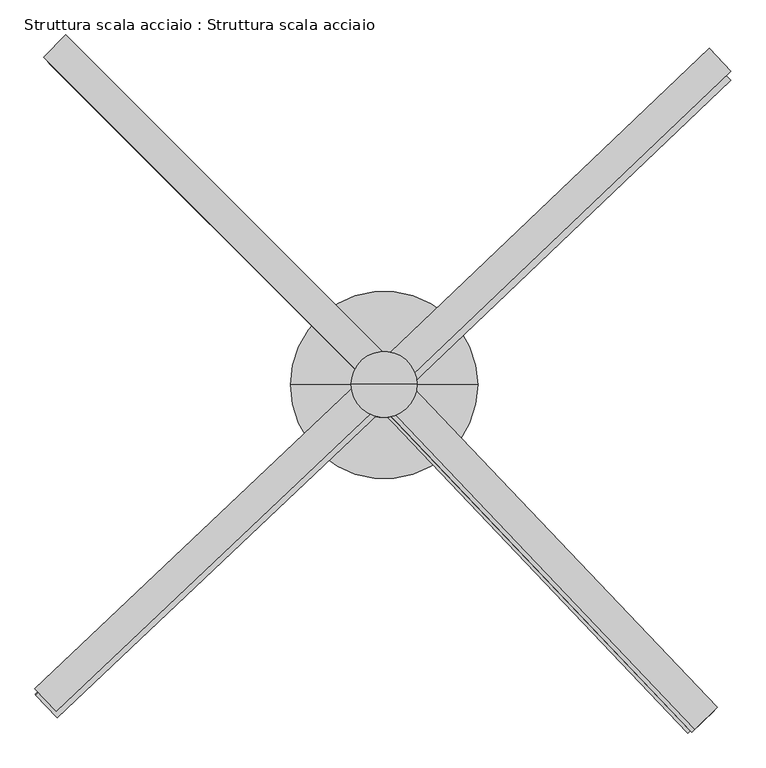
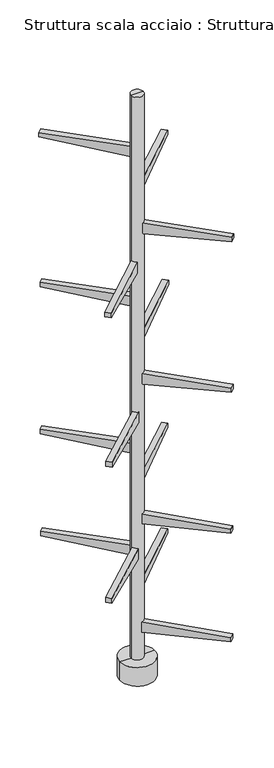
"""IFC4 building model written with IfcOpenShell, lengths in millimetres: stair geometry, Struttura scala acciaio : Struttura scala acciaio."""

from ifc_helpers import new_model, si_unit, frame, origin, place, context, project, spatial, polyline, circle_curve, outline, extrude, source, transform, mapped, element, save
from ifc_brep_helpers import plane_surface, cylinder_surface, advanced_brep


def struttura_scala_acciaio_struttura_scala_acciaio_305bfbfe(model_context):
    return source(origin(), model_context, "Body", "SolidModel", [
        extrude(outline(polyline([(-27.7761032, 0.0), (87.3472082, 0.0), (96.5112589, -2160.04659), (-182.5068343, -2160.04659), (-27.7761032, 0.0)])), frame((-17461.8574624, 121725.960133, -2916.9944252), z_axis=(-0.6897900423975041, 0.724009459474978, 0.0), x_axis=(0.0, 0.0, 1.0)), (0.0, 0.0, 1.0), 148.2055711),
        extrude(outline(polyline([(-27.7761031, 0.0), (87.3472082, 0.0), (96.511259, -2160.04659), (-182.5068342, -2160.04659), (-27.7761031, 0.0)])), frame((-17454.6640644, 121732.9067167, -72.0653855), z_axis=(-0.6897900423975041, 0.724009459474978, 0.0), x_axis=(0.0, 0.0, 1.0)), (0.0, 0.0, 1.0), 148.2055711),
        extrude(outline(polyline([(-27.7761032, 0.0), (87.3472082, 0.0), (96.511259, -2160.04659), (-182.5068343, -2160.04659), (-27.7761032, 0.0)])), frame((-17440.0304541, 121760.9398658, 7818.4439458), z_axis=(-0.6897900423975041, 0.724009459474978, 0.0), x_axis=(0.0, 0.0, 1.0)), (0.0, 0.0, 1.0), 148.2055711),
        extrude(outline(polyline([(-27.7761031, 0.0), (87.3472082, 0.0), (96.511259, -2160.0465899), (-182.5068343, -2160.0465899), (-27.7761031, 0.0)])), frame((-17440.770897, 121718.5199207, 3790.954931), z_axis=(-0.6897900423975041, 0.724009459474978, 0.0), x_axis=(0.0, 0.0, 1.0)), (0.0, 0.0, 1.0), 148.2055711),
        extrude(outline(polyline([(33.7826515, 0.0), (195.0629096, -2177.5058639), (-96.7115345, -2177.5058639), (-84.0747862, 0.0), (33.7826515, 0.0)])), frame((-20637.9012639, 118727.6257299, 5828.231062), z_axis=(-0.6876077318702961, 0.7260823693439933, 0.0), x_axis=(0.0, 0.0, -1.0)), (0.0, 0.0, 1.0), 148.2055711),
        extrude(outline(polyline([(-3.201726, 0.0), (192.5068343, -2160.0465899), (-96.511259, -2160.0465899), (-134.2150124, 0.0), (-3.201726, 0.0)])), frame((-20632.9154299, 118697.917651, 1771.0238524), z_axis=(-0.6876077318702961, 0.7260823693439933, 0.0), x_axis=(0.0, 0.0, -1.0)), (0.0, 0.0, 1.0), 148.2055711),
        extrude(outline(polyline([(-27.7761032, 0.0), (87.3472082, 0.0), (96.5112589, -2160.04659), (-182.5068343, -2160.04659), (-27.7761032, 0.0)])), frame((-17643.4815554, 118626.6841042, -3915.4922254), z_axis=(0.7242351162522543, 0.6895531135359216, 0.0), x_axis=(0.0, 0.0, 1.0)), (0.0, 0.0, 1.0), 148.2055711),
        extrude(outline(polyline([(27.7761031, 0.0), (182.5068342, -2160.04659), (-96.511259, -2160.04659), (-87.3472083, 0.0), (27.7761031, 0.0)])), frame((-20671.1395241, 121798.1827954, -1912.2928756), z_axis=(0.7071067811865506, 0.7071067811865445, 0.0), x_axis=(0.0, 0.0, -1.0)), (0.0, 0.0, 1.0), 148.2055711),
        extrude(outline(polyline([(27.7761031, 0.0), (182.5068343, -2160.04659), (-96.511259, -2160.04659), (-87.3472082, 0.0), (27.7761031, 0.0)])), frame((-20698.925859, 121826.9563874, 8850.7208542), z_axis=(0.7071067811865506, 0.7071067811865445, 0.0), x_axis=(0.0, 0.0, -1.0)), (0.0, 0.0, 1.0), 148.2055711),
        extrude(outline(polyline([(27.7761031, 0.0), (182.5068342, -2160.04659), (-96.511259, -2160.04659), (-87.3472083, 0.0), (27.7761031, 0.0)])), frame((-20678.0861079, 121805.3761934, 4810.2036301), z_axis=(0.7071067811865506, 0.7071067811865445, 0.0), x_axis=(0.0, 0.0, -1.0)), (0.0, 0.0, 1.0), 148.2055711),
        extrude(outline(polyline([(27.7761032, 0.0), (182.5068343, -2160.04659), (-96.511259, -2160.04659), (-87.3472082, 0.0), (27.7761032, 0.0)])), frame((-20678.0861079, 121805.3761934, 841.7829418), z_axis=(0.7071067811865506, 0.7071067811865445, 0.0), x_axis=(0.0, 0.0, -1.0)), (0.0, 0.0, 1.0), 148.2055711),
        extrude(outline(polyline([(-3.201726, 0.0), (192.5068342, -2160.0465899), (-96.511259, -2160.0465899), (-134.2150125, 0.0), (-3.201726, 0.0)])), frame((-20636.3887217, 118701.51435, -1905.2411615), z_axis=(-0.6876077318702961, 0.7260823693439933, 0.0), x_axis=(0.0, 0.0, -1.0)), (0.0, 0.0, 1.0), 148.2055711),
        extrude(outline(polyline([(-27.7761031, 0.0), (87.3472082, 0.0), (96.511259, -2160.04659), (-182.5068342, -2160.04659), (-27.7761031, 0.0)])), frame((-17632.6914584, 118637.1039797, -998.5303603), z_axis=(0.7242351162522543, 0.6895531135359216, 0.0), x_axis=(0.0, 0.0, 1.0)), (0.0, 0.0, 1.0), 148.2055711),
        extrude(outline(polyline([(0.0, 0.0), (114.3837144, 0.0), (96.511259, -2170.0465899), (-202.5068342, -2170.0465899), (0.0, 0.0)])), frame((-17611.4091313, 118643.754796, 6843.6991664), z_axis=(0.7242351162522543, 0.6895531135359216, 0.0), x_axis=(0.0, 0.0, 1.0)), (0.0, 0.0, 1.0), 148.2055711),
        extrude(outline(polyline([(0.0, 0.0), (114.3837144, 0.0), (96.511259, -2170.0465899), (-202.5068342, -2170.0465899), (0.0, 0.0)])), frame((-17625.7959273, 118629.8616286, 2788.7933397), z_axis=(0.7242351162522543, 0.6895531135359216, 0.0), x_axis=(0.0, 0.0, 1.0)), (0.0, 0.0, 1.0), 148.2055711),
        advanced_brep(
        [(-19240.2360124, 120275.906975, -4823.7460919), (-18928.2940141, 120275.906975, -4823.7460919), (-18928.2940141, 120275.906975, 10375.1618332), (-19240.2360124, 120275.906975, 10375.1618332), (-19528.1402753, 120275.906975, -4823.7460919), (-18640.3897511, 120275.906975, -4823.7460919), (-19528.1402753, 120275.906975, -5325.0), (-18640.3897511, 120275.906975, -5325.0), (-19084.2650132, 120275.906975, -5325.0), (-19084.2650132, 120275.906975, 10375.1618332)],
        [
            (0, 1, circle_curve(frame((-19084.2650132, 120275.906975, -4823.7460919), z_axis=(0.0, 0.0, 1.0), x_axis=(1.0, 0.0, 0.0)), 155.9709991)),
            (1, 2),
            (2, 3, circle_curve(frame((-19084.2650132, 120275.906975, 10375.1618332), z_axis=(0.0, 0.0, -1.0), x_axis=(1.0, 0.0, 0.0)), 155.9709991)),
            (3, 0),
            (1, 0, circle_curve(frame((-19084.2650132, 120275.906975, -4823.7460919), z_axis=(0.0, 0.0, 1.0), x_axis=(1.0, 0.0, 0.0)), 155.9709991)),
            (3, 2, circle_curve(frame((-19084.2650132, 120275.906975, 10375.1618332), z_axis=(0.0, 0.0, -1.0), x_axis=(1.0, 0.0, 0.0)), 155.9709991)),
            (4, 5, circle_curve(frame((-19084.2650132, 120275.906975, -4823.7460919), z_axis=(0.0, 0.0, 1.0), x_axis=(1.0, 0.0, 0.0)), 443.8752621)),
            (5, 1),
            (0, 4),
            (5, 4, circle_curve(frame((-19084.2650132, 120275.906975, -4823.7460919), z_axis=(0.0, 0.0, 1.0), x_axis=(1.0, 0.0, 0.0)), 443.8752621)),
            (6, 7, circle_curve(frame((-19084.2650132, 120275.906975, -5325.0), z_axis=(0.0, 0.0, 1.0), x_axis=(1.0, 0.0, 0.0)), 443.8752621)),
            (7, 5),
            (4, 6),
            (7, 6, circle_curve(frame((-19084.2650132, 120275.906975, -5325.0), z_axis=(0.0, 0.0, 1.0), x_axis=(1.0, 0.0, 0.0)), 443.8752621)),
            (8, 7),
            (6, 8),
            (2, 9),
            (9, 3),
        ],
        [
            cylinder_surface(frame((-19084.2650132, 120275.906975, 10350.0), z_axis=(0.0, 0.0, -1.0), x_axis=(1.0, 0.0, 0.0)), 155.9709991),
            plane_surface(frame((-19084.2650132, 120275.906975, -4823.7460919), z_axis=(0.0, 0.0, 1.0), x_axis=(1.0, 0.0, 0.0))),
            cylinder_surface(frame((-19084.2650132, 120275.906975, 10350.0), z_axis=(0.0, 0.0, -1.0), x_axis=(1.0, 0.0, 0.0)), 443.8752621),
            plane_surface(frame((-19084.2650132, 120275.906975, -5325.0), z_axis=(0.0, 0.0, -1.0), x_axis=(1.0, 0.0, 0.0))),
            plane_surface(frame((-19084.2650132, 120275.906975, 10375.1618332), z_axis=(0.0, 0.0, 1.0), x_axis=(1.0, 0.0, 0.0))),
        ],
        [
            (0, [[1, 2, 3, 4]]),
            (0, [[5, -4, 6, -2]]),
            (1, [[7, 8, -1, 9]]),
            (1, [[10, -9, -5, -8]]),
            (2, [[11, 12, -7, 13]]),
            (2, [[14, -13, -10, -12]]),
            (3, [[15, -11, 16]]),
            (3, [[-16, -14, -15]]),
            (4, [[-3, 17, 18]]),
            (4, [[-6, -18, -17]]),
        ],
    ),
    ])


if __name__ == "__main__":
    model = new_model("IFC4")
    model_context = context("Model", 3, world=origin())
    ifc_project = project(units=[si_unit("LENGTHUNIT", "METRE", prefix="MILLI")], contexts=[model_context])
    site = spatial("IfcSite", under=ifc_project)
    building = spatial("IfcBuilding", under=site)
    placement = place(None, origin())
    struttura_scala_acciaio_struttura_scala_acciaio_shape = struttura_scala_acciaio_struttura_scala_acciaio_305bfbfe(model_context)
    element("IfcStair", 1, ObjectType="Struttura scala acciaio : Struttura scala acciaio", at=placement, inside=building, context=model_context, shape_type="MappedRepresentation", body=[
        mapped(struttura_scala_acciaio_struttura_scala_acciaio_shape, transform((0.0, 0.0, 0.0), x_axis=(1.0, 0.0, 0.0), y_axis=(0.0, 1.0, 0.0), z_axis=(0.0, 0.0, 1.0))),
    ])
    save(model, "model.ifc")
